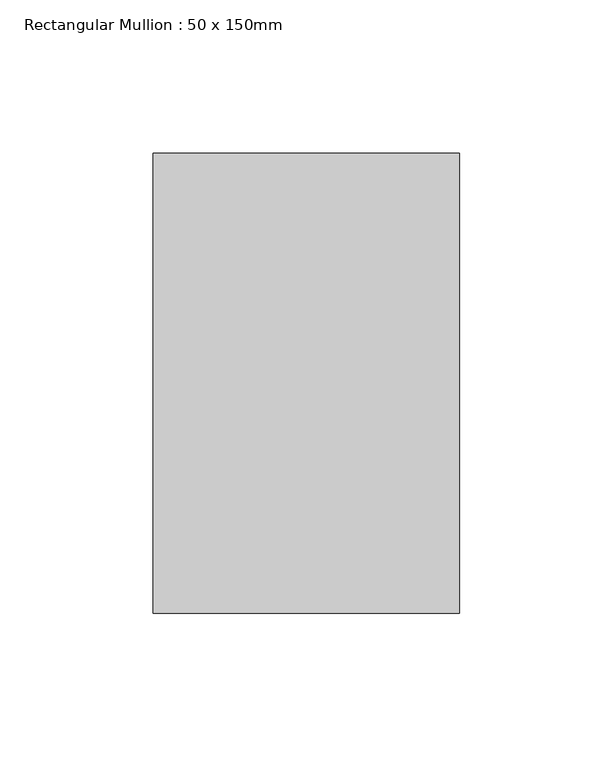
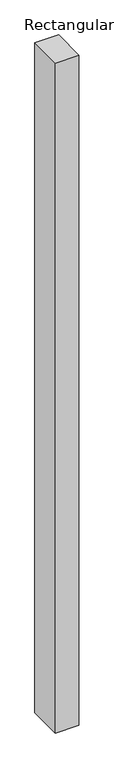
"""IFC4 building model written with IfcOpenShell, lengths in millimetres: member geometry, Rectangular Mullion : 50 x 150mm."""

from ifc_helpers import new_model, si_unit, frame, origin, place, context, project, spatial, polyline, outline, extrude, source, transform, mapped, element, save


def rectangular_mullion_50_x_150mm_b1aae986(model_context):
    return source(origin(), model_context, "Body", "SweptSolid", [
        extrude(outline(polyline([(0.0, 75.0), (0.0, -75.0), (-100.0, -75.0), (-100.0, 75.0), (0.0, 75.0)])), frame((0.0, 0.0, -3000.0), z_axis=(0.0, 0.0, 1.0), x_axis=(1.0, 0.0, 0.0)), (0.0, 0.0, 1.0), 3000.0),
    ])


if __name__ == "__main__":
    model = new_model("IFC4")
    model_context = context("Model", 3, world=origin())
    ifc_project = project(units=[si_unit("LENGTHUNIT", "METRE", prefix="MILLI")], contexts=[model_context])
    site = spatial("IfcSite", under=ifc_project)
    building = spatial("IfcBuilding", under=site)
    placement = place(None, origin())
    rectangular_mullion_50_x_150mm_shape = rectangular_mullion_50_x_150mm_b1aae986(model_context)
    element("IfcMember", 1, ObjectType="Rectangular Mullion : 50 x 150mm", at=placement, inside=building, context=model_context, shape_type="MappedRepresentation", body=[
        mapped(rectangular_mullion_50_x_150mm_shape, transform((0.0, 0.0, 0.0), x_axis=(1.0, 0.0, 0.0), y_axis=(0.0, 1.0, 0.0), z_axis=(0.0, 0.0, 1.0))),
    ])
    save(model, "model.ifc")
